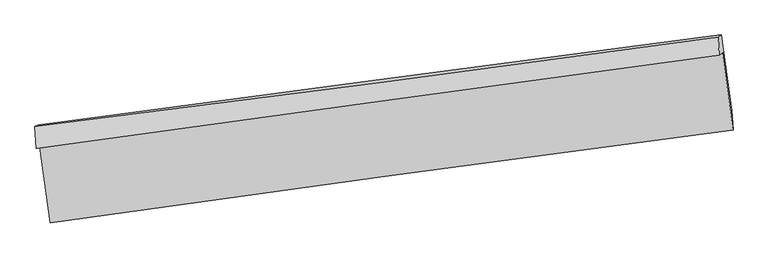
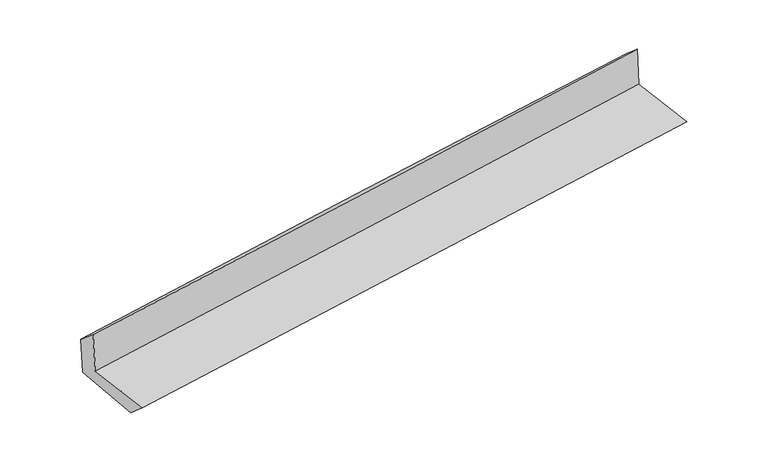
"""IFC4 building model written with IfcOpenShell, lengths in millimetres: proxy geometry."""

import ifcopenshell
import ifcopenshell.guid

model = None  # the IFC model being written
_history = None  # IfcOwnerHistory: only IFC2X3 demands one
_inside = {}  # id of a spatial element -> (the spatial element, [elements in it])
_under = {}  # id of a project, library or spatial element -> (it, [spatial elements below it])
_declared = {}  # id of a project -> (the project, [libraries it declares])
_typed = {}  # id of a type object -> (the type object, [elements of that type])
_made_of = {}  # id of a material, layer set ... -> (it, [elements and type objects made of it])


def new_model(schema):
    """Start an empty IFC model of exactly this schema.

    Asked for "IFC4X3", IfcOpenShell would pick the latest addendum, in which some entities
    have other attributes; the version numbers below select the first issue.
    IFC2X3 requires an IfcOwnerHistory on every rooted entity: one is made here for all.
    """
    global model, _history
    if schema == "IFC4X3":
        model = ifcopenshell.file(schema_version=(4, 3, 0, 0))
    else:
        model = ifcopenshell.file(schema=schema)
    _inside.clear()
    _under.clear()
    _declared.clear()
    _typed.clear()
    _made_of.clear()
    _history = None
    if model.schema == "IFC2X3":
        org = make("IfcOrganization", Name="unknown")
        user = make(
            "IfcPersonAndOrganization",
            ThePerson=make("IfcPerson", FamilyName="unknown"),
            TheOrganization=org,
        )
        app = make(
            "IfcApplication",
            ApplicationDeveloper=org,
            Version="unknown",
            ApplicationFullName="unknown",
            ApplicationIdentifier="unknown",
        )
        _history = make(
            "IfcOwnerHistory",
            OwningUser=user,
            OwningApplication=app,
            ChangeAction="ADDED",
            CreationDate=0,
        )
    return model


def make(cls, **values):
    """One entity of the class cls with the attributes given. An attribute that is None is left unset."""
    return model.create_entity(
        cls, **{name: value for name, value in values.items() if value is not None}
    )


def rooted(cls, **values):
    """An entity with a GlobalId (a new one), such as an element, a storey or a relation."""
    return make(cls, GlobalId=ifcopenshell.guid.new(), OwnerHistory=_history, **values)


def si_unit(unit_type, name, prefix=None):
    """IfcSIUnit, for example si_unit("LENGTHUNIT", "METRE", prefix="MILLI")."""
    return make("IfcSIUnit", UnitType=unit_type, Prefix=prefix, Name=name)


def assignment(units):
    """IfcUnitAssignment: the units of a project."""
    return None if units is None else make("IfcUnitAssignment", Units=units)


def point(xyz):
    """IfcCartesianPoint."""
    return None if xyz is None else make("IfcCartesianPoint", Coordinates=xyz)


def direction(xyz):
    """IfcDirection."""
    return None if xyz is None else make("IfcDirection", DirectionRatios=xyz)


def frame(location, z_axis=None, x_axis=None):
    """IfcAxis2Placement3D, a coordinate frame: its origin and axes. An axis left out is left unset."""
    return make(
        "IfcAxis2Placement3D",
        Location=point(location),
        Axis=direction(z_axis),
        RefDirection=direction(x_axis),
    )


def origin():
    """The frame at (0, 0, 0) with its axes left unset."""
    return frame((0.0, 0.0, 0.0))


def place(relative_to, where):
    """IfcLocalPlacement: puts the frame where relative to a parent placement (None: the world)."""
    return make(
        "IfcLocalPlacement", PlacementRelTo=relative_to, RelativePlacement=where
    )


def context(
    kind, dimensions, precision=None, world=None, true_north=None, identifier=None
):
    """IfcGeometricRepresentationContext, for example the 3D "Model" context."""
    return make(
        "IfcGeometricRepresentationContext",
        ContextIdentifier=identifier,
        ContextType=kind,
        CoordinateSpaceDimension=dimensions,
        Precision=precision,
        WorldCoordinateSystem=world,
        TrueNorth=true_north,
    )


def project(units=None, contexts=None):
    """IfcProject with its units and contexts."""
    return rooted(
        "IfcProject",
        Name="project",
        RepresentationContexts=contexts,
        UnitsInContext=assignment(units),
    )


def spatial(cls, under=None, at=None, **own):
    """A site, building, storey or space (cls), placed at a placement, below another one or the project."""
    s = rooted(cls, ObjectPlacement=at, **own)
    if under is not None:
        _under.setdefault(under.id(), (under, []))[1].append(s)
    return s


def shape(context_of_items, identifier, shape_type, items):
    """IfcShapeRepresentation: the items that make up one representation, for example the "Body"."""
    return make(
        "IfcShapeRepresentation",
        ContextOfItems=context_of_items,
        RepresentationIdentifier=identifier,
        RepresentationType=shape_type,
        Items=items,
    )


def source(mapping_origin, context_of_items, identifier, shape_type, items):
    """IfcRepresentationMap: a shape defined once, which mapped items show again and again."""
    return make(
        "IfcRepresentationMap",
        MappingOrigin=mapping_origin,
        MappedRepresentation=shape(context_of_items, identifier, shape_type, items),
    )


def transform(
    local_origin,
    x_axis=None,
    y_axis=None,
    z_axis=None,
    scale=None,
    scale2=None,
    scale3=None,
    uniform=True,
):
    """IfcCartesianTransformationOperator3D, or its non-uniform kind. x_axis, y_axis, z_axis: its Axis1, 2, 3."""
    if uniform:
        return make(
            "IfcCartesianTransformationOperator3D",
            Axis1=direction(x_axis),
            Axis2=direction(y_axis),
            LocalOrigin=point(local_origin),
            Scale=scale,
            Axis3=direction(z_axis),
        )
    return make(
        "IfcCartesianTransformationOperator3DnonUniform",
        Axis1=direction(x_axis),
        Axis2=direction(y_axis),
        LocalOrigin=point(local_origin),
        Scale=scale,
        Axis3=direction(z_axis),
        Scale2=scale2,
        Scale3=scale3,
    )


def mapped(mapping_source, mapping_target):
    """IfcMappedItem: shows the shape of a source again, moved by a transform."""
    return make(
        "IfcMappedItem", MappingSource=mapping_source, MappingTarget=mapping_target
    )


def made_of(thing, what):
    """Note that an element or type object is made of a material, layer set ...; save() writes the relation."""
    if what is not None:
        _made_of.setdefault(what.id(), (what, []))[1].append(thing)
    return thing


def element(
    cls,
    number,
    at=None,
    inside=None,
    cuts=None,
    type_object=None,
    material=None,
    context=None,
    identifier="Body",
    shape_type=None,
    held_by="IfcProductDefinitionShape",
    body=None,
    shapes=None,
    **own,
):
    """One element of the class cls, such as IfcWall. Its Tag is "e" and its number.

    at: its placement. inside: the storey or other place that contains it. cuts: it is an
    opening in that element (IfcRelVoidsElement). A single representation is given by context,
    identifier, shape_type and body (its items); several are given by shapes. held_by: the class
    of the entity that holds the representations. save() writes the other relations.
    """
    e = rooted(cls, Tag="e%d" % number, ObjectPlacement=at, **own)
    if body is not None:
        shapes = [shape(context, identifier, shape_type, body)]
    if shapes is not None:
        e.Representation = make(held_by, Representations=shapes)
    if inside is not None:
        _inside.setdefault(inside.id(), (inside, []))[1].append(e)
    if cuts is not None:
        rooted(
            "IfcRelVoidsElement", RelatingBuildingElement=cuts, RelatedOpeningElement=e
        )
    if type_object is not None:
        _typed.setdefault(type_object.id(), (type_object, []))[1].append(e)
    return made_of(e, material)


def aggregate(whole, parts):
    """IfcRelAggregates: a whole, such as a stair, and the parts it consists of."""
    return rooted("IfcRelAggregates", RelatingObject=whole, RelatedObjects=parts)


def save(model, path):
    """Write the relations noted so far, then the file.

    IfcRelAggregates (storeys below a building ...), IfcRelContainedInSpatialStructure (elements
    in a storey), IfcRelDefinesByType, IfcRelAssociatesMaterial and IfcRelDeclares: one each for
    every whole, place, type object, material and project.
    """
    for whole, parts in _under.values():
        aggregate(whole, parts)
    for where, things in _inside.values():
        rooted(
            "IfcRelContainedInSpatialStructure",
            RelatedElements=things,
            RelatingStructure=where,
        )
    for kind, things in _typed.values():
        rooted("IfcRelDefinesByType", RelatedObjects=things, RelatingType=kind)
    for what, things in _made_of.values():
        rooted("IfcRelAssociatesMaterial", RelatedObjects=things, RelatingMaterial=what)
    for by, libraries in _declared.values():
        rooted("IfcRelDeclares", RelatingContext=by, RelatedDefinitions=libraries)
    model.write(path)


def plane_surface(at):
    """IfcPlane: the flat surface through the origin of the frame at, square to its z axis."""
    return make("IfcPlane", Position=at)


def spline_curve(degree, points, multiplicities, knots, weights=None):
    """IfcBSplineCurveWithKnots; with weights, IfcRationalBSplineCurveWithKnots."""
    own = dict(
        Degree=degree,
        ControlPointsList=[point(p) for p in points],
        CurveForm="UNSPECIFIED",
        ClosedCurve=False,
        SelfIntersect=False,
        KnotMultiplicities=multiplicities,
        Knots=knots,
        KnotSpec="UNSPECIFIED",
    )
    if weights is None:
        return make("IfcBSplineCurveWithKnots", **own)
    return make("IfcRationalBSplineCurveWithKnots", WeightsData=weights, **own)


def spline_surface(u_degree, v_degree, points, u_multiplicities, v_multiplicities, u_knots, v_knots, weights=None):
    """IfcBSplineSurfaceWithKnots; with weights, IfcRationalBSplineSurfaceWithKnots. points: one row for each step in u."""
    own = dict(
        UDegree=u_degree,
        VDegree=v_degree,
        ControlPointsList=[[point(p) for p in row] for row in points],
        SurfaceForm="UNSPECIFIED",
        UClosed=False,
        VClosed=False,
        SelfIntersect=False,
        UMultiplicities=u_multiplicities,
        VMultiplicities=v_multiplicities,
        UKnots=u_knots,
        VKnots=v_knots,
        KnotSpec="UNSPECIFIED",
    )
    if weights is None:
        return make("IfcBSplineSurfaceWithKnots", **own)
    return make("IfcRationalBSplineSurfaceWithKnots", WeightsData=weights, **own)


def advanced_brep(points, edges, surfaces, faces):
    """IfcAdvancedBrep: a solid bounded by faces that lie on surfaces and meet in shared edges.

    An edge is (start, end): straight between two places in points (the first is 0);
    or (start, end, curve); or (start, end, curve, False) where it runs against its curve.
    A face is (place in surfaces, loops), or (place, loops, False) where it looks against
    its surface's normal. A loop lists edges by number (the first is 1), with a minus sign
    where the edge is run from its end to its start. The first loop is the outer one.
    """
    corners = [point(p) for p in points]
    vertices = [make("IfcVertexPoint", VertexGeometry=c) for c in corners]
    made = []
    for start, end, *more in edges:
        made.append(
            make(
                "IfcEdgeCurve",
                EdgeStart=vertices[start],
                EdgeEnd=vertices[end],
                EdgeGeometry=more[0] if more else make("IfcPolyline", Points=[corners[start], corners[end]]),
                SameSense=more[1] if len(more) > 1 else True,
            )
        )
    hull = []
    for where, loops, *sense in faces:
        bounds = []
        for j, loop in enumerate(loops):
            ring = [make("IfcOrientedEdge", EdgeElement=made[abs(k) - 1], Orientation=k > 0) for k in loop]
            bounds.append(
                make(
                    "IfcFaceOuterBound" if j == 0 else "IfcFaceBound",
                    Bound=make("IfcEdgeLoop", EdgeList=ring),
                    Orientation=True,
                )
            )
        hull.append(make("IfcAdvancedFace", Bounds=bounds, FaceSurface=surfaces[where], SameSense=sense[0] if sense else True))
    return make("IfcAdvancedBrep", Outer=make("IfcClosedShell", CfsFaces=hull))


def generic_models_b175e31a(model_context):
    return source(origin(), model_context, "Body", "AdvancedBrep", [
        advanced_brep(
        [(-3001.2111014, -1922.048907, 1667.2469058), (-2910.4419337, -2587.7631492, 1649.3895612), (3050.2516457, -1773.5006981, 2120.4851662), (2958.6084645, -1100.1108376, 2144.6134104), (-3032.2527656, -1938.577042, 2074.2627166), (2929.1066297, -1122.151013, 2541.9237737), (-3045.3157996, -1745.1278424, 1916.5247087), (2919.0721849, -963.9563933, 2406.7974632), (-3016.8594344, -1730.3319845, 1543.9911663), (2947.0810168, -943.128896, 2029.7525221), (-2921.9265399, -2401.4747496, 1484.0915668), (3039.5242571, -1607.099974, 1980.4613386)],
        [
            (0, 1),
            (1, 2, spline_curve(3, [(-2910.4419337, -2587.7631492, 1649.3895612), (-1917.157434004, -2446.885437913, 1721.847165632), (-923.766892571, -2308.588247649, 1797.335962803), (1063.13098746, -2037.167925835, 1954.368412803), (2056.638306164, -1904.044298911, 2035.911483816), (3050.2516457, -1773.5006981, 2120.4851662)], [4, 2, 4], [0.0, 9.900184608042478, 19.799419696822596])),
            (2, 3),
            (3, 0, spline_curve(3, [(2958.6084645, -1100.1108376, 2144.6134104), (1965.324741115, -1232.550294379, 2057.653939435), (972.055066116, -1367.261468111, 1974.395392084), (-1014.551458854, -1641.240389075, 1815.272514072), (-2007.88830548, -1780.508571407, 1739.408893029), (-3001.2111014, -1922.048907, 1667.2469058)], [4, 2, 4], [0.0, 9.899235088780118, 19.799419696822596])),
            (4, 0),
            (3, 5),
            (5, 4, spline_curve(3, [(2929.1066297, -1122.151013, 2541.9237737), (1935.725011126, -1255.915240009, 2458.321332867), (942.278079562, -1390.82953806, 2377.550090597), (-1044.841706114, -1662.971327223, 2221.662528515), (-2038.514573097, -1800.199038765, 2146.546751502), (-3032.2527656, -1938.577042, 2074.2627166)], [4, 2, 4], [0.0, 9.899773267812021, 19.800496106507698])),
            (6, 4),
            (5, 7),
            (7, 6, spline_curve(3, [(2919.0721849, -963.9563933, 2406.7974632), (1924.930985538, -1100.738751733, 2337.149842723), (930.851886879, -1234.224587986, 2261.472217947), (-1057.277453447, -1494.615703171, 2098.049123184), (-2051.32768276, -1621.520350038, 2010.302496498), (-3045.3157996, -1745.1278424, 1916.5247087)], [4, 2, 4], [0.0, 9.8997666584158, 19.800482887081294])),
            (8, 6),
            (7, 9),
            (9, 8, spline_curve(3, [(2947.0810168, -943.128896, 2029.7525221), (1951.958382421, -1072.365234489, 1959.780315119), (957.425833802, -1202.580468168, 1884.316303098), (-1030.55442962, -1464.98130977, 1722.396904946), (-2024.002031429, -1597.167105479, 1635.940464799), (-3016.8594344, -1730.3319845, 1543.9911663)], [4, 2, 4], [0.0, 9.900055087550554, 19.801059773016476])),
            (10, 8),
            (9, 11),
            (11, 10, spline_curve(3, [(3039.5242571, -1607.099974, 1980.4613386), (2043.048370771, -1726.830560448, 1912.920976917), (1048.046615023, -1852.890273645, 1837.788996465), (-939.103933251, -2117.680651487, 1672.333862016), (-1931.252443243, -2256.412530238, 1582.009252289), (-2921.9265399, -2401.4747496, 1484.0915668)], [4, 2, 4], [0.0, 9.899603599242168, 19.800156753093646])),
            (1, 10),
            (11, 2),
        ],
        [
            spline_surface(3, 3, [[(-3001.2111014, -1922.048907, 1667.2469058), (-2007.888305621, -1780.508571563, 1739.408893037), (-1014.551458706, -1641.240388923, 1815.272513976), (972.055065968, -1367.261468264, 1974.39539218), (1965.324740994, -1232.550294462, 2057.653939448), (2958.6084645, -1100.1108376, 2144.6134104)], [(-2970.954712169, -2143.953654386, 1661.294457588), (-1977.64468172, -2002.634193695, 1733.554983882), (-984.289936683, -1863.689675203, 1809.293663624), (1002.413706482, -1590.56362075, 1967.719732346), (1995.762595995, -1456.38162929, 2050.406454194), (2989.156191558, -1324.574124457, 2136.570662338)], [(-2940.698322931, -2365.858401814, 1655.342009412), (-1947.401057811, -2224.759815867, 1727.701074762), (-954.028414652, -2086.138961481, 1803.314813277), (1032.772347004, -1813.865773235, 1961.044072516), (2026.200451022, -1680.212964047, 2043.158968926), (3019.703918642, -1549.037411243, 2128.527914262)], [(-2910.4419337, -2587.7631492, 1649.3895612), (-1917.15743391, -2446.885437999, 1721.847165606), (-923.766892628, -2308.588247762, 1797.335962925), (1063.130987518, -2037.167925722, 1954.368412682), (2056.638306023, -1904.044298875, 2035.911483671), (3050.2516457, -1773.5006981, 2120.4851662)]], [4, 4], [4, 2, 4], [0.0, 2.2147266464250386], [0.0, 9.900184608042478, 19.799419696822596]),
            spline_surface(3, 3, [[(-3032.2527656, -1938.577042, 2074.2627166), (-2038.514573052, -1800.199038819, 2146.546751497), (-1044.841706227, -1662.97132715, 2221.662528473), (942.278079674, -1390.829538133, 2377.550090639), (1935.725011287, -1255.915240109, 2458.32133274), (2929.1066297, -1122.151013, 2541.9237737)], [(-3021.905544221, -1933.067663675, 1938.590779669), (-2028.305817262, -1793.635549742, 2010.834132013), (-1034.744957053, -1655.727681051, 2086.199190312), (952.203741773, -1382.97351482, 2243.165191157), (1945.59158785, -1248.126924876, 2324.765534998), (2938.940574627, -1114.804287849, 2409.486985955)], [(-3011.558322779, -1927.558285325, 1802.918842731), (-2018.09706141, -1787.072060641, 1875.121512521), (-1024.64820788, -1648.484035021, 1950.735852137), (962.12940387, -1375.117491576, 2108.780291662), (1955.458164431, -1240.338609696, 2191.20973719), (2948.774519573, -1107.457562751, 2277.050198145)], [(-3001.2111014, -1922.048907, 1667.2469058), (-2007.888305621, -1780.508571563, 1739.408893037), (-1014.551458706, -1641.240388923, 1815.272513976), (972.055065968, -1367.261468264, 1974.39539218), (1965.324740994, -1232.550294462, 2057.653939448), (2958.6084645, -1100.1108376, 2144.6134104)]], [4, 4], [4, 2, 4], [0.0, 1.3337161042377688], [0.0, 9.900722838695676, 19.800496106507698]),
            spline_surface(3, 3, [[(-3045.3157996, -1745.1278424, 1916.5247087), (-2051.327682861, -1621.520350169, 2010.302496406), (-1057.277453326, -1494.615703305, 2098.049123232), (930.851886759, -1234.224587852, 2261.472217899), (1924.930985382, -1100.738751672, 2337.149842573), (2919.0721849, -963.9563933, 2406.7974632)], [(-3040.961454918, -1809.610908939, 1969.104044685), (-2047.056646243, -1681.079913058, 2055.717248121), (-1053.13220429, -1550.734244612, 2139.253591656), (934.660617734, -1286.426237971, 2300.164842156), (1928.528994025, -1152.464247832, 2377.540339292), (2922.416999842, -1016.687933214, 2451.839566696)], [(-3036.607110282, -1874.093975461, 2021.683380615), (-2042.78560967, -1740.63947593, 2101.131999781), (-1048.986955263, -1606.852785843, 2180.45806005), (938.469348699, -1338.627888014, 2338.857466382), (1932.127002644, -1204.189743949, 2417.930836022), (2925.761814758, -1069.419473086, 2496.881670204)], [(-3032.2527656, -1938.577042, 2074.2627166), (-2038.514573052, -1800.199038819, 2146.546751497), (-1044.841706227, -1662.97132715, 2221.662528473), (942.278079674, -1390.829538133, 2377.550090639), (1935.725011287, -1255.915240109, 2458.32133274), (2929.1066297, -1122.151013, 2541.9237737)]], [4, 4], [4, 2, 4], [0.0, 0.6635529295541716], [0.0, 9.900716228665495, 19.800482887081294]),
            spline_surface(3, 3, [[(-3016.8594344, -1730.3319845, 1543.9911663), (-2024.002031487, -1597.167105631, 1635.940464718), (-1030.554429717, -1464.981309818, 1722.396904852), (957.425833899, -1202.580468119, 1884.316303192), (1951.958382507, -1072.365234425, 1959.780315015), (2947.0810168, -943.128896, 2029.7525221)], [(-3026.344889478, -1735.263937114, 1668.169013742), (-2033.110581957, -1605.28485379, 1760.727808589), (-1039.462104248, -1474.85944097, 1847.614310974), (948.567851525, -1213.128508019, 2010.034941423), (1942.949250114, -1081.823073489, 2085.570157521), (2937.744739482, -950.071395082, 2155.43416912)], [(-3035.830344522, -1740.195889786, 1792.346861258), (-2042.219132392, -1613.402602009, 1885.515152535), (-1048.369778796, -1484.737572154, 1972.83171711), (939.709869133, -1223.676547952, 2135.753579668), (1933.940117775, -1091.280912608, 2211.360000067), (2928.408462218, -957.013894218, 2281.11581618)], [(-3045.3157996, -1745.1278424, 1916.5247087), (-2051.327682861, -1621.520350169, 2010.302496406), (-1057.277453326, -1494.615703305, 2098.049123232), (930.851886759, -1234.224587852, 2261.472217899), (1924.930985382, -1100.738751672, 2337.149842573), (2919.0721849, -963.9563933, 2406.7974632)]], [4, 4], [4, 2, 4], [0.0, 1.2420865862504458], [0.0, 9.901004685465923, 19.801059773016476]),
            spline_surface(3, 3, [[(-2921.9265399, -2401.4747496, 1484.0915668), (-1931.252443211, -2256.412530145, 1582.009252224), (-939.103933352, -2117.680651379, 1672.333862151), (1048.046615125, -1852.890273753, 1837.78899633), (2043.048370925, -1726.830560606, 1912.920977001), (3039.5242571, -1607.099974, 1980.4613386)], [(-2953.570838051, -2177.760494591, 1504.058099976), (-1962.168972621, -2036.664055331, 1599.986323064), (-969.587432147, -1900.114204206, 1689.02154304), (1017.839688043, -1636.120338556, 1853.298098606), (2012.685041475, -1508.675451883, 1928.540756335), (3008.709843689, -1385.776281338, 1996.891733096)], [(-2985.215136249, -1954.046239509, 1524.024633124), (-1993.085502077, -1816.915580444, 1617.963393878), (-1000.070930922, -1682.547756991, 1705.709223963), (987.632760981, -1419.350403316, 1868.807200916), (1982.321711957, -1290.520343147, 1944.160535681), (2977.895430211, -1164.452588662, 2013.322127604)], [(-3016.8594344, -1730.3319845, 1543.9911663), (-2024.002031487, -1597.167105631, 1635.940464718), (-1030.554429717, -1464.981309818, 1722.396904852), (957.425833899, -1202.580468119, 1884.316303192), (1951.958382507, -1072.365234425, 1959.780315015), (2947.0810168, -943.128896, 2029.7525221)]], [4, 4], [4, 2, 4], [0.0, 2.164057249390686], [0.0, 9.900553153851478, 19.800156753093646]),
            spline_surface(3, 3, [[(-2910.4419337, -2587.7631492, 1649.3895612), (-1917.15743391, -2446.885437999, 1721.847165606), (-923.766892628, -2308.588247762, 1797.335962925), (1063.130987518, -2037.167925722, 1954.368412682), (2056.638306023, -1904.044298875, 2035.911483671), (3050.2516457, -1773.5006981, 2120.4851662)], [(-2914.270135762, -2525.667015996, 1594.29022974), (-1921.855770339, -2383.394468709, 1675.234527819), (-928.879239537, -2244.952382294, 1755.668596003), (1058.102863386, -1975.742041726, 1915.508607233), (2052.108327658, -1844.973052779, 1994.914648109), (3046.675849502, -1718.03379006, 2073.810556995)], [(-2918.098337838, -2463.570882804, 1539.19089826), (-1926.554106782, -2319.903499434, 1628.621890012), (-933.991586444, -2181.316516846, 1714.001229073), (1053.074739256, -1914.316157749, 1876.648801778), (2047.578349289, -1785.901806702, 1953.917812563), (3043.100053298, -1662.56688204, 2027.135947805)], [(-2921.9265399, -2401.4747496, 1484.0915668), (-1931.252443211, -2256.412530145, 1582.009252224), (-939.103933352, -2117.680651379, 1672.333862151), (1048.046615125, -1852.890273753, 1837.78899633), (2043.048370925, -1726.830560606, 1912.920977001), (3039.5242571, -1607.099974, 1980.4613386)]], [4, 4], [4, 2, 4], [0.0, 0.7337133411926384], [0.0, 9.89973001711456, 19.798510558566235]),
            plane_surface(frame((2973.9406998, -1251.6579687, 2204.0056124), z_axis=(0.9880194288419998, 0.13157160815670046, 0.08066300364968265), x_axis=(-0.07396886293236751, -0.05500358927738819, 0.995742543272656))),
            plane_surface(frame((-2988.0012624, -2054.2206124, 1722.5844376), z_axis=(-0.9878861155331652, -0.132531453590037, -0.08072444825519577), x_axis=(-0.1350508314279023, 0.9904823871641655, 0.026569035515210147))),
        ],
        [
            (0, [[1, 2, 3, 4]]),
            (1, [[5, -4, 6, 7]]),
            (2, [[8, -7, 9, 10]]),
            (3, [[11, -10, 12, 13]]),
            (4, [[14, -13, 15, 16]]),
            (5, [[17, -16, 18, -2]]),
            (6, [[-12, -9, -6, -3, -18, -15]]),
            (7, [[-1, -5, -8, -11, -14, -17]]),
        ],
    ),
    ])


if __name__ == "__main__":
    model = new_model("IFC4")
    model_context = context("Model", 3, world=origin())
    ifc_project = project(units=[si_unit("LENGTHUNIT", "METRE", prefix="MILLI")], contexts=[model_context])
    site = spatial("IfcSite", under=ifc_project)
    building = spatial("IfcBuilding", under=site)
    placement = place(None, origin())
    generic_models_shape = generic_models_b175e31a(model_context)
    element("IfcBuildingElementProxy", 1, Name="Generic Models", at=placement, inside=building, context=model_context, shape_type="MappedRepresentation", body=[
        mapped(generic_models_shape, transform((0.0, 0.0, 0.0), x_axis=(1.0, 0.0, 0.0), y_axis=(0.0, 1.0, 0.0), z_axis=(0.0, 0.0, 1.0))),
    ])
    save(model, "model.ifc")
